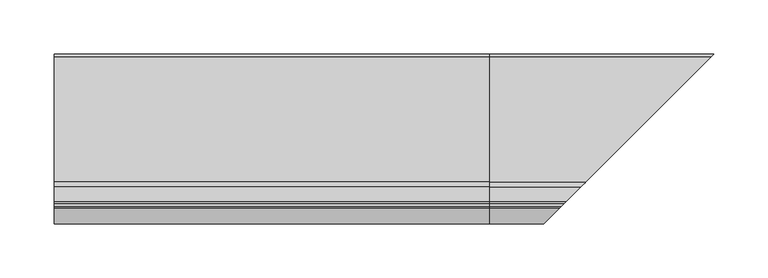
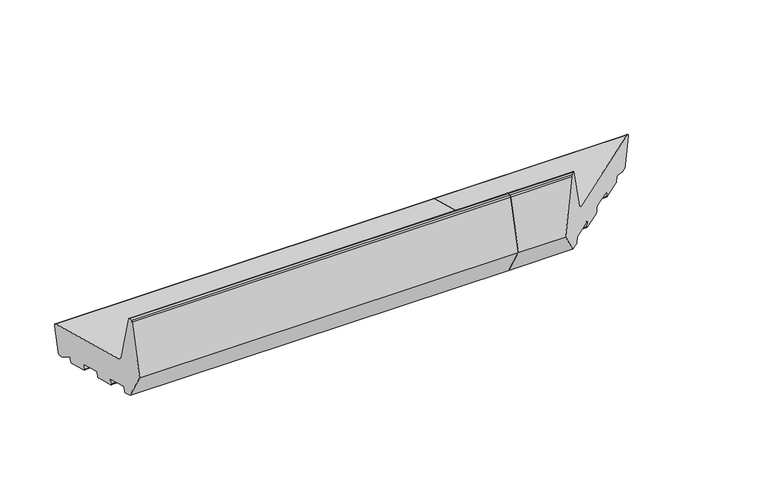
"""IFC4 building model written with IfcOpenShell, lengths in millimetres: proxy geometry."""

import ifcopenshell
import ifcopenshell.guid

model = None  # the IFC model being written
_history = None  # IfcOwnerHistory: only IFC2X3 demands one
_inside = {}  # id of a spatial element -> (the spatial element, [elements in it])
_under = {}  # id of a project, library or spatial element -> (it, [spatial elements below it])
_declared = {}  # id of a project -> (the project, [libraries it declares])
_typed = {}  # id of a type object -> (the type object, [elements of that type])
_made_of = {}  # id of a material, layer set ... -> (it, [elements and type objects made of it])


def new_model(schema):
    """Start an empty IFC model of exactly this schema.

    Asked for "IFC4X3", IfcOpenShell would pick the latest addendum, in which some entities
    have other attributes; the version numbers below select the first issue.
    IFC2X3 requires an IfcOwnerHistory on every rooted entity: one is made here for all.
    """
    global model, _history
    if schema == "IFC4X3":
        model = ifcopenshell.file(schema_version=(4, 3, 0, 0))
    else:
        model = ifcopenshell.file(schema=schema)
    _inside.clear()
    _under.clear()
    _declared.clear()
    _typed.clear()
    _made_of.clear()
    _history = None
    if model.schema == "IFC2X3":
        org = make("IfcOrganization", Name="unknown")
        user = make(
            "IfcPersonAndOrganization",
            ThePerson=make("IfcPerson", FamilyName="unknown"),
            TheOrganization=org,
        )
        app = make(
            "IfcApplication",
            ApplicationDeveloper=org,
            Version="unknown",
            ApplicationFullName="unknown",
            ApplicationIdentifier="unknown",
        )
        _history = make(
            "IfcOwnerHistory",
            OwningUser=user,
            OwningApplication=app,
            ChangeAction="ADDED",
            CreationDate=0,
        )
    return model


def make(cls, **values):
    """One entity of the class cls with the attributes given. An attribute that is None is left unset."""
    return model.create_entity(
        cls, **{name: value for name, value in values.items() if value is not None}
    )


def rooted(cls, **values):
    """An entity with a GlobalId (a new one), such as an element, a storey or a relation."""
    return make(cls, GlobalId=ifcopenshell.guid.new(), OwnerHistory=_history, **values)


def si_unit(unit_type, name, prefix=None):
    """IfcSIUnit, for example si_unit("LENGTHUNIT", "METRE", prefix="MILLI")."""
    return make("IfcSIUnit", UnitType=unit_type, Prefix=prefix, Name=name)


def assignment(units):
    """IfcUnitAssignment: the units of a project."""
    return None if units is None else make("IfcUnitAssignment", Units=units)


def point(xyz):
    """IfcCartesianPoint."""
    return None if xyz is None else make("IfcCartesianPoint", Coordinates=xyz)


def direction(xyz):
    """IfcDirection."""
    return None if xyz is None else make("IfcDirection", DirectionRatios=xyz)


def frame(location, z_axis=None, x_axis=None):
    """IfcAxis2Placement3D, a coordinate frame: its origin and axes. An axis left out is left unset."""
    return make(
        "IfcAxis2Placement3D",
        Location=point(location),
        Axis=direction(z_axis),
        RefDirection=direction(x_axis),
    )


def frame_2d(location, x_axis=None):
    """IfcAxis2Placement2D, a coordinate frame in the plane: its origin and x axis."""
    return make(
        "IfcAxis2Placement2D", Location=point(location), RefDirection=direction(x_axis)
    )


def origin():
    """The frame at (0, 0, 0) with its axes left unset."""
    return frame((0.0, 0.0, 0.0))


def place(relative_to, where):
    """IfcLocalPlacement: puts the frame where relative to a parent placement (None: the world)."""
    return make(
        "IfcLocalPlacement", PlacementRelTo=relative_to, RelativePlacement=where
    )


def context(
    kind, dimensions, precision=None, world=None, true_north=None, identifier=None
):
    """IfcGeometricRepresentationContext, for example the 3D "Model" context."""
    return make(
        "IfcGeometricRepresentationContext",
        ContextIdentifier=identifier,
        ContextType=kind,
        CoordinateSpaceDimension=dimensions,
        Precision=precision,
        WorldCoordinateSystem=world,
        TrueNorth=true_north,
    )


def project(units=None, contexts=None):
    """IfcProject with its units and contexts."""
    return rooted(
        "IfcProject",
        Name="project",
        RepresentationContexts=contexts,
        UnitsInContext=assignment(units),
    )


def spatial(cls, under=None, at=None, **own):
    """A site, building, storey or space (cls), placed at a placement, below another one or the project."""
    s = rooted(cls, ObjectPlacement=at, **own)
    if under is not None:
        _under.setdefault(under.id(), (under, []))[1].append(s)
    return s


def polyline(points):
    """IfcPolyline through the points."""
    return make("IfcPolyline", Points=[point(p) for p in points])


def circle_curve(where, radius):
    """IfcCircle in the frame where."""
    return make("IfcCircle", Position=where, Radius=radius)


def ellipse_curve(where, semi_axis1, semi_axis2):
    """IfcEllipse in the frame where."""
    return make(
        "IfcEllipse", Position=where, SemiAxis1=semi_axis1, SemiAxis2=semi_axis2
    )


def trimmed(basis, trim1, trim2, sense, master):
    """IfcTrimmedCurve: the piece of a basis curve between two trims."""
    return make(
        "IfcTrimmedCurve",
        BasisCurve=basis,
        Trim1=trim1,
        Trim2=trim2,
        SenseAgreement=sense,
        MasterRepresentation=master,
    )


def segment(curve, same_sense, transition):
    """IfcCompositeCurveSegment."""
    return make(
        "IfcCompositeCurveSegment",
        Transition=transition,
        SameSense=same_sense,
        ParentCurve=curve,
    )


def composite_curve(segments, self_intersect=None):
    """IfcCompositeCurve: segments joined end to end."""
    return make("IfcCompositeCurve", Segments=segments, SelfIntersect=self_intersect)


def outline(outer, holes=None, kind="AREA"):
    """IfcArbitraryClosedProfileDef: a profile drawn as a closed curve; with holes, ...WithVoids."""
    if holes is None:
        return make("IfcArbitraryClosedProfileDef", ProfileType=kind, OuterCurve=outer)
    return make(
        "IfcArbitraryProfileDefWithVoids",
        ProfileType=kind,
        OuterCurve=outer,
        InnerCurves=holes,
    )


def extrude(swept, where, along, depth):
    """IfcExtrudedAreaSolid: the profile swept, set in the frame where, extruded along a direction by depth."""
    return make(
        "IfcExtrudedAreaSolid",
        SweptArea=swept,
        Position=where,
        ExtrudedDirection=direction(along),
        Depth=depth,
    )


def shape(context_of_items, identifier, shape_type, items):
    """IfcShapeRepresentation: the items that make up one representation, for example the "Body"."""
    return make(
        "IfcShapeRepresentation",
        ContextOfItems=context_of_items,
        RepresentationIdentifier=identifier,
        RepresentationType=shape_type,
        Items=items,
    )


def source(mapping_origin, context_of_items, identifier, shape_type, items):
    """IfcRepresentationMap: a shape defined once, which mapped items show again and again."""
    return make(
        "IfcRepresentationMap",
        MappingOrigin=mapping_origin,
        MappedRepresentation=shape(context_of_items, identifier, shape_type, items),
    )


def transform(
    local_origin,
    x_axis=None,
    y_axis=None,
    z_axis=None,
    scale=None,
    scale2=None,
    scale3=None,
    uniform=True,
):
    """IfcCartesianTransformationOperator3D, or its non-uniform kind. x_axis, y_axis, z_axis: its Axis1, 2, 3."""
    if uniform:
        return make(
            "IfcCartesianTransformationOperator3D",
            Axis1=direction(x_axis),
            Axis2=direction(y_axis),
            LocalOrigin=point(local_origin),
            Scale=scale,
            Axis3=direction(z_axis),
        )
    return make(
        "IfcCartesianTransformationOperator3DnonUniform",
        Axis1=direction(x_axis),
        Axis2=direction(y_axis),
        LocalOrigin=point(local_origin),
        Scale=scale,
        Axis3=direction(z_axis),
        Scale2=scale2,
        Scale3=scale3,
    )


def mapped(mapping_source, mapping_target):
    """IfcMappedItem: shows the shape of a source again, moved by a transform."""
    return make(
        "IfcMappedItem", MappingSource=mapping_source, MappingTarget=mapping_target
    )


def made_of(thing, what):
    """Note that an element or type object is made of a material, layer set ...; save() writes the relation."""
    if what is not None:
        _made_of.setdefault(what.id(), (what, []))[1].append(thing)
    return thing


def element(
    cls,
    number,
    at=None,
    inside=None,
    cuts=None,
    type_object=None,
    material=None,
    context=None,
    identifier="Body",
    shape_type=None,
    held_by="IfcProductDefinitionShape",
    body=None,
    shapes=None,
    **own,
):
    """One element of the class cls, such as IfcWall. Its Tag is "e" and its number.

    at: its placement. inside: the storey or other place that contains it. cuts: it is an
    opening in that element (IfcRelVoidsElement). A single representation is given by context,
    identifier, shape_type and body (its items); several are given by shapes. held_by: the class
    of the entity that holds the representations. save() writes the other relations.
    """
    e = rooted(cls, Tag="e%d" % number, ObjectPlacement=at, **own)
    if body is not None:
        shapes = [shape(context, identifier, shape_type, body)]
    if shapes is not None:
        e.Representation = make(held_by, Representations=shapes)
    if inside is not None:
        _inside.setdefault(inside.id(), (inside, []))[1].append(e)
    if cuts is not None:
        rooted(
            "IfcRelVoidsElement", RelatingBuildingElement=cuts, RelatedOpeningElement=e
        )
    if type_object is not None:
        _typed.setdefault(type_object.id(), (type_object, []))[1].append(e)
    return made_of(e, material)


def aggregate(whole, parts):
    """IfcRelAggregates: a whole, such as a stair, and the parts it consists of."""
    return rooted("IfcRelAggregates", RelatingObject=whole, RelatedObjects=parts)


def save(model, path):
    """Write the relations noted so far, then the file.

    IfcRelAggregates (storeys below a building ...), IfcRelContainedInSpatialStructure (elements
    in a storey), IfcRelDefinesByType, IfcRelAssociatesMaterial and IfcRelDeclares: one each for
    every whole, place, type object, material and project.
    """
    for whole, parts in _under.values():
        aggregate(whole, parts)
    for where, things in _inside.values():
        rooted(
            "IfcRelContainedInSpatialStructure",
            RelatedElements=things,
            RelatingStructure=where,
        )
    for kind, things in _typed.values():
        rooted("IfcRelDefinesByType", RelatedObjects=things, RelatingType=kind)
    for what, things in _made_of.values():
        rooted("IfcRelAssociatesMaterial", RelatedObjects=things, RelatingMaterial=what)
    for by, libraries in _declared.values():
        rooted("IfcRelDeclares", RelatingContext=by, RelatedDefinitions=libraries)
    model.write(path)


def plane_surface(at):
    """IfcPlane: the flat surface through the origin of the frame at, square to its z axis."""
    return make("IfcPlane", Position=at)


def cylinder_surface(at, radius):
    """IfcCylindricalSurface: all points at the distance radius from the z axis of the frame at."""
    return make("IfcCylindricalSurface", Position=at, Radius=radius)


def revolved_surface(curve, axis_point, axis_direction):
    """IfcSurfaceOfRevolution: the curve turned about the line through axis_point along axis_direction."""
    return make(
        "IfcSurfaceOfRevolution",
        SweptCurve=make("IfcArbitraryOpenProfileDef", ProfileType="CURVE", Curve=curve),
        AxisPosition=make("IfcAxis1Placement", Location=point(axis_point), Axis=direction(axis_direction)),
    )


def advanced_brep(points, edges, surfaces, faces):
    """IfcAdvancedBrep: a solid bounded by faces that lie on surfaces and meet in shared edges.

    An edge is (start, end): straight between two places in points (the first is 0);
    or (start, end, curve); or (start, end, curve, False) where it runs against its curve.
    A face is (place in surfaces, loops), or (place, loops, False) where it looks against
    its surface's normal. A loop lists edges by number (the first is 1), with a minus sign
    where the edge is run from its end to its start. The first loop is the outer one.
    """
    corners = [point(p) for p in points]
    vertices = [make("IfcVertexPoint", VertexGeometry=c) for c in corners]
    made = []
    for start, end, *more in edges:
        made.append(
            make(
                "IfcEdgeCurve",
                EdgeStart=vertices[start],
                EdgeEnd=vertices[end],
                EdgeGeometry=more[0] if more else make("IfcPolyline", Points=[corners[start], corners[end]]),
                SameSense=more[1] if len(more) > 1 else True,
            )
        )
    hull = []
    for where, loops, *sense in faces:
        bounds = []
        for j, loop in enumerate(loops):
            ring = [make("IfcOrientedEdge", EdgeElement=made[abs(k) - 1], Orientation=k > 0) for k in loop]
            bounds.append(
                make(
                    "IfcFaceOuterBound" if j == 0 else "IfcFaceBound",
                    Bound=make("IfcEdgeLoop", EdgeList=ring),
                    Orientation=True,
                )
            )
        hull.append(make("IfcAdvancedFace", Bounds=bounds, FaceSurface=surfaces[where], SameSense=sense[0] if sense else True))
    return make("IfcAdvancedBrep", Outer=make("IfcClosedShell", CfsFaces=hull))


def generic_models_5331c608(model_context):
    return source(origin(), model_context, "Body", "SolidModel", [
        advanced_brep(
        [(400.0, 24.4386976, 5.7548961), (400.0, 21.5409202, 6.5313532), (400.0, 7.5551512, 15.0647989), (400.0, 6.0683716, 14.4699721), (400.0, 5.1201811, 10.931277), (400.0, 3.8954362, 10.2241702), (400.0, -18.3208578, 16.1770082), (400.0, -19.0279645, 17.4017531), (400.0, -17.9926884, 21.2654564), (400.0, -18.6997951, 22.4902013), (400.0, -41.882015, 28.7018584), (400.0, -43.1067598, 27.9947516), (400.0, -44.142036, 24.1310483), (400.0, -45.3667809, 23.4239415), (400.0, -67.5830749, 29.3767795), (400.0, -68.2901817, 30.6015244), (400.0, -67.2549055, 34.4652277), (400.0, -67.9620123, 35.6899726), (400.0, -91.1442321, 41.9016297), (400.0, -92.368977, 41.1945229), (400.0, -93.4042532, 37.3308196), (400.0, -94.628998, 36.6237128), (400.0, -103.3223305, 38.9530842), (400.0, -121.0, 69.571706), (400.0, -106.6423334, 123.1552472), (400.0, -105.1934447, 124.2670186), (400.0, -102.1818846, 124.2670186), (400.0, -100.7329958, 123.1552472), (400.0, -86.984545, 71.8453303), (400.0, -82.7419043, 67.6026896), (400.0, 32.7209071, 36.6645225), (400.0, 34.8422274, 32.9902879), (400.0, 28.1129323, 7.8762164), (599.1129323, 28.1129323, 7.8762164), (595.4386976, 24.4386976, 5.7548961), (605.8422274, 34.8422274, 32.9902879), (603.7209071, 32.7209071, 36.6645225), (488.2580957, -82.7419043, 67.6026896), (484.015455, -86.984545, 71.8453303), (470.2670042, -100.7329958, 123.1552472), (468.8181154, -102.1818846, 124.2670186), (465.8065553, -105.1934447, 124.2670186), (464.3576666, -106.6423334, 123.1552472), (450.0, -121.0, 69.571706), (467.6776695, -103.3223305, 38.9530842), (476.371002, -94.628998, 36.6237128), (477.5957468, -93.4042532, 37.3308196), (478.631023, -92.368977, 41.1945229), (479.8557679, -91.1442321, 41.9016297), (503.0379877, -67.9620123, 35.6899726), (503.7450945, -67.2549055, 34.4652277), (502.7098183, -68.2901817, 30.6015244), (503.4169251, -67.5830749, 29.3767795), (525.6332191, -45.3667809, 23.4239415), (526.857964, -44.142036, 24.1310483), (527.8932402, -43.1067598, 27.9947516), (529.117985, -41.882015, 28.7018584), (592.5409202, 21.5409202, 6.5313532), (552.3002049, -18.6997951, 22.4902013), (552.6791422, -18.3208578, 16.1770082), (551.9720355, -19.0279645, 17.4017531), (553.0073116, -17.9926884, 21.2654564), (574.8954362, 3.8954362, 10.2241702), (576.1201811, 5.1201811, 10.931277), (577.0683716, 6.0683716, 14.4699721), (578.5551512, 7.5551512, 15.0647989)],
        [
            (0, 1),
            (1, 2),
            (2, 3, circle_curve(frame((400.0, 7.0342974, 14.211153), z_axis=(1.0, 0.0, 0.0), x_axis=(0.0, 1.0, 0.0)), 1.0)),
            (3, 4),
            (4, 5, circle_curve(frame((400.0, 4.1542553, 11.190096), z_axis=(-1.0, 0.0, 0.0), x_axis=(0.0, 1.0, 0.0)), 1.0)),
            (5, 6),
            (6, 7, circle_curve(frame((400.0, -18.0620387, 17.1429341), z_axis=(-1.0, 0.0, 0.0), x_axis=(0.0, 1.0, 0.0)), 1.0)),
            (7, 8),
            (8, 9, circle_curve(frame((400.0, -18.9586142, 21.5242755), z_axis=(1.0, 0.0, 0.0), x_axis=(0.0, 1.0, 0.0)), 1.0)),
            (9, 10),
            (10, 11, circle_curve(frame((400.0, -42.140834, 27.7359325), z_axis=(1.0, 0.0, 0.0), x_axis=(0.0, 1.0, 0.0)), 1.0)),
            (11, 12),
            (12, 13, circle_curve(frame((400.0, -45.1079618, 24.3898673), z_axis=(-1.0, 0.0, 0.0), x_axis=(0.0, 1.0, 0.0)), 1.0)),
            (13, 14),
            (14, 15, circle_curve(frame((400.0, -67.3242559, 30.3427054), z_axis=(-1.0, 0.0, 0.0), x_axis=(0.0, 1.0, 0.0)), 1.0)),
            (15, 16),
            (16, 17, circle_curve(frame((400.0, -68.2208313, 34.7240468), z_axis=(1.0, 0.0, 0.0), x_axis=(0.0, 1.0, 0.0)), 1.0)),
            (17, 18),
            (18, 19, circle_curve(frame((400.0, -91.4030512, 40.9357038), z_axis=(1.0, 0.0, 0.0), x_axis=(0.0, 1.0, 0.0)), 1.0)),
            (19, 20),
            (20, 21, circle_curve(frame((400.0, -94.370179, 37.5896386), z_axis=(-1.0, 0.0, 0.0), x_axis=(0.0, 1.0, 0.0)), 1.0)),
            (21, 22),
            (22, 23),
            (23, 24),
            (24, 25, circle_curve(frame((400.0, -105.1934447, 122.7670186), z_axis=(-1.0, 0.0, 0.0), x_axis=(0.0, 1.0, 0.0)), 1.5)),
            (25, 26),
            (26, 27, circle_curve(frame((400.0, -102.1818846, 122.7670186), z_axis=(-1.0, 0.0, 0.0), x_axis=(0.0, 1.0, 0.0)), 1.5)),
            (27, 28),
            (28, 29, circle_curve(frame((400.0, -81.1889901, 73.3982445), z_axis=(1.0, 0.0, 0.0), x_axis=(0.0, 1.0, 0.0)), 6.0)),
            (29, 30),
            (30, 31, circle_curve(frame((400.0, 31.94445, 33.766745), z_axis=(-1.0, 0.0, 0.0), x_axis=(0.0, 1.0, 0.0)), 3.0)),
            (31, 32),
            (32, 0, circle_curve(frame((400.0, 25.2151548, 8.6526736), z_axis=(-1.0, 0.0, 0.0), x_axis=(0.0, 1.0, 0.0)), 3.0)),
            (32, 33),
            (33, 34, ellipse_curve(frame((596.2151548, 25.2151548, 8.6526736), z_axis=(-0.707106781186548, 0.7071067811865471, 0.0), x_axis=(0.707106781186547, 0.707106781186548, 0.0)), 4.2426407, 3.0)),
            (34, 0),
            (31, 35),
            (35, 33),
            (30, 36),
            (36, 35, ellipse_curve(frame((602.94445, 31.94445, 33.766745), z_axis=(-0.707106781186548, 0.7071067811865471, 0.0), x_axis=(0.707106781186547, 0.707106781186548, 0.0)), 4.2426407, 3.0)),
            (29, 37),
            (37, 36),
            (28, 38),
            (38, 37, ellipse_curve(frame((489.8110099, -81.1889901, 73.3982445), z_axis=(0.707106781186548, -0.7071067811865471, 0.0), x_axis=(-0.707106781186547, -0.707106781186548, 0.0)), 8.4852814, 6.0)),
            (27, 39),
            (39, 38),
            (26, 40),
            (40, 39, ellipse_curve(frame((468.8181154, -102.1818846, 122.7670186), z_axis=(-0.707106781186548, 0.7071067811865471, 0.0), x_axis=(0.707106781186547, 0.707106781186548, 0.0)), 2.1213203, 1.5)),
            (25, 41),
            (41, 40),
            (24, 42),
            (42, 41, ellipse_curve(frame((465.8065553, -105.1934447, 122.7670186), z_axis=(-0.707106781186548, 0.7071067811865471, 0.0), x_axis=(0.707106781186547, 0.707106781186548, 0.0)), 2.1213203, 1.5)),
            (23, 43),
            (43, 42),
            (22, 44),
            (44, 43),
            (21, 45),
            (45, 44),
            (20, 46),
            (46, 45, ellipse_curve(frame((476.629821, -94.370179, 37.5896386), z_axis=(-0.707106781186548, 0.7071067811865471, 0.0), x_axis=(0.707106781186547, 0.707106781186548, 0.0)), 1.4142136, 1.0)),
            (19, 47),
            (47, 46),
            (18, 48),
            (48, 47, ellipse_curve(frame((479.5969488, -91.4030512, 40.9357038), z_axis=(0.707106781186548, -0.7071067811865471, 0.0), x_axis=(-0.707106781186547, -0.707106781186548, 0.0)), 1.4142136, 1.0)),
            (17, 49),
            (49, 48),
            (16, 50),
            (50, 49, ellipse_curve(frame((502.7791687, -68.2208313, 34.7240468), z_axis=(0.707106781186548, -0.7071067811865471, 0.0), x_axis=(-0.707106781186547, -0.707106781186548, 0.0)), 1.4142136, 1.0)),
            (15, 51),
            (51, 50),
            (14, 52),
            (52, 51, ellipse_curve(frame((503.6757441, -67.3242559, 30.3427054), z_axis=(-0.707106781186548, 0.7071067811865471, 0.0), x_axis=(0.707106781186547, 0.707106781186548, 0.0)), 1.4142136, 1.0)),
            (13, 53),
            (53, 52),
            (12, 54),
            (54, 53, ellipse_curve(frame((525.8920382, -45.1079618, 24.3898673), z_axis=(-0.707106781186548, 0.7071067811865471, 0.0), x_axis=(0.707106781186547, 0.707106781186548, 0.0)), 1.4142136, 1.0)),
            (11, 55),
            (55, 54),
            (10, 56),
            (56, 55, ellipse_curve(frame((528.859166, -42.140834, 27.7359325), z_axis=(0.707106781186548, -0.7071067811865471, 0.0), x_axis=(-0.707106781186547, -0.707106781186548, 0.0)), 1.4142136, 1.0)),
            (34, 57),
            (57, 1),
            (9, 58),
            (58, 56),
            (6, 59),
            (59, 60, ellipse_curve(frame((552.9379613, -18.0620387, 17.1429341), z_axis=(-0.707106781186548, 0.7071067811865471, 0.0), x_axis=(0.707106781186547, 0.707106781186548, 0.0)), 1.4142136, 1.0)),
            (60, 7),
            (60, 61),
            (61, 8),
            (61, 58, ellipse_curve(frame((552.0413858, -18.9586142, 21.5242755), z_axis=(0.707106781186548, -0.7071067811865471, 0.0), x_axis=(-0.707106781186547, -0.707106781186548, 0.0)), 1.4142136, 1.0)),
            (5, 62),
            (62, 59),
            (4, 63),
            (63, 62, ellipse_curve(frame((575.1542553, 4.1542553, 11.190096), z_axis=(-0.707106781186548, 0.7071067811865471, 0.0), x_axis=(0.707106781186547, 0.707106781186548, 0.0)), 1.4142136, 1.0)),
            (3, 64),
            (64, 63),
            (2, 65),
            (65, 64, ellipse_curve(frame((578.0342974, 7.0342974, 14.211153), z_axis=(0.707106781186548, -0.7071067811865471, 0.0), x_axis=(-0.707106781186547, -0.707106781186548, 0.0)), 1.4142136, 1.0)),
            (57, 65),
        ],
        [
            plane_surface(frame((400.0, 0.0, 0.0), z_axis=(-1.0, 0.0, 0.0), x_axis=(0.0, 0.0, 1.0))),
            cylinder_surface(frame((606.3741644, 25.2151548, 8.6526736), z_axis=(1.0, 0.0, 0.0), x_axis=(0.0, 1.0, 0.0)), 3.0),
            plane_surface(frame((606.3741644, 34.8422274, 32.9902879), z_axis=(0.0, 0.9659258262890688, -0.2588190451025192), x_axis=(-1.0, 0.0, 0.0))),
            cylinder_surface(frame((606.3741644, 31.94445, 33.766745), z_axis=(1.0, 0.0, 0.0), x_axis=(0.0, 1.0, 0.0)), 3.0),
            plane_surface(frame((606.3741644, -82.7419043, 67.6026896), z_axis=(0.0, 0.25881904510252074, 0.9659258262890684), x_axis=(-1.0, 0.0, 0.0))),
            revolved_surface(polyline([(400.0, -75.1889901, 73.3982445), (495.8110099182161, -75.1889901, 73.3982445)]), (606.3741644, -81.1889901, 73.3982445), (-1.0, 0.0, 0.0)),
            plane_surface(frame((606.3741644, -100.7329958, 123.1552472), z_axis=(0.0, 0.9659258262890681, 0.25881904510252146), x_axis=(-1.0, 0.0, 0.0))),
            cylinder_surface(frame((606.3741644, -102.1818846, 122.7670186), z_axis=(1.0, 0.0, 0.0), x_axis=(0.0, 1.0, 0.0)), 1.5),
            plane_surface(frame((606.3741644, -105.1934447, 124.2670186), z_axis=(0.0, 0.0, 1.0), x_axis=(-1.0, 0.0, 0.0))),
            cylinder_surface(frame((606.3741644, -105.1934447, 122.7670186), z_axis=(1.0, 0.0, 0.0), x_axis=(0.0, 1.0, 0.0)), 1.5),
            plane_surface(frame((606.3741644, -121.0, 69.571706), z_axis=(0.0, -0.9659258262890682, 0.25881904510252113), x_axis=(-1.0, 0.0, 0.0))),
            plane_surface(frame((606.3741644, -103.3223305, 38.9530842), z_axis=(0.0, -0.8660254037844382, -0.5000000000000009), x_axis=(-1.0, 0.0, 0.0))),
            plane_surface(frame((606.3741644, -94.628998, 36.6237128), z_axis=(0.0, -0.2588190451025213, -0.9659258262890682), x_axis=(-1.0, 0.0, 0.0))),
            cylinder_surface(frame((606.3741644, -94.370179, 37.5896386), z_axis=(1.0, 0.0, 0.0), x_axis=(0.0, 1.0, 0.0)), 1.0),
            plane_surface(frame((606.3741644, -92.368977, 41.1945229), z_axis=(0.0, 0.9659258262890696, -0.25881904510251574), x_axis=(-1.0, 0.0, 0.0))),
            revolved_surface(polyline([(400.0, -90.4030512, 40.9357038), (480.59694882660625, -90.4030512, 40.9357038)]), (606.3741644, -91.4030512, 40.9357038), (-1.0, 0.0, 0.0)),
            plane_surface(frame((606.3741644, -67.9620123, 35.6899726), z_axis=(0.0, -0.25881904510252196, -0.965925826289068), x_axis=(-1.0, 0.0, 0.0))),
            revolved_surface(polyline([(400.0, -67.2208313, 34.7240468), (503.77916872660626, -67.2208313, 34.7240468)]), (606.3741644, -68.2208313, 34.7240468), (-1.0, 0.0, 0.0)),
            plane_surface(frame((606.3741644, -68.2901817, 30.6015244), z_axis=(0.0, -0.9659258262890698, 0.2588190451025152), x_axis=(-1.0, 0.0, 0.0))),
            cylinder_surface(frame((606.3741644, -67.3242559, 30.3427054), z_axis=(1.0, 0.0, 0.0), x_axis=(0.0, 1.0, 0.0)), 1.0),
            plane_surface(frame((606.3741644, -45.3667809, 23.4239415), z_axis=(0.0, -0.25881904510252135, -0.9659258262890682), x_axis=(-1.0, 0.0, 0.0))),
            cylinder_surface(frame((606.3741644, -45.1079618, 24.3898673), z_axis=(1.0, 0.0, 0.0), x_axis=(0.0, 1.0, 0.0)), 1.0),
            plane_surface(frame((606.3741644, -43.1067598, 27.9947516), z_axis=(0.0, 0.9659258262890696, -0.25881904510251574), x_axis=(-1.0, 0.0, 0.0))),
            revolved_surface(polyline([(400.0, -41.140834, 27.7359325), (529.8591660266062, -41.140834, 27.7359325)]), (606.3741644, -42.140834, 27.7359325), (-1.0, 0.0, 0.0)),
            plane_surface(frame((606.3741644, 24.4386976, 5.7548961), z_axis=(0.0, -0.2588190451025198, -0.9659258262890685), x_axis=(-1.0, 0.0, 0.0))),
            plane_surface(frame((606.3741644, -18.6997951, 22.4902013), z_axis=(0.0, -0.2588190451025191, -0.9659258262890689), x_axis=(-1.0, 0.0, 0.0))),
            cylinder_surface(frame((606.3741644, -18.0620387, 17.1429341), z_axis=(1.0, 0.0, 0.0), x_axis=(0.0, 1.0, 0.0)), 1.0),
            plane_surface(frame((606.3741644, -19.0279645, 17.4017531), z_axis=(0.0, -0.96592582628907, 0.2588190451025148), x_axis=(-1.0, 0.0, 0.0))),
            revolved_surface(polyline([(400.0, -17.9586142, 21.5242755), (553.0413858266062, -17.9586142, 21.5242755)]), (606.3741644, -18.9586142, 21.5242755), (-1.0, 0.0, 0.0)),
            plane_surface(frame((606.3741644, 3.8954362, 10.2241702), z_axis=(0.0, -0.25881904510251874, -0.965925826289069), x_axis=(-1.0, 0.0, 0.0))),
            cylinder_surface(frame((606.3741644, 4.1542553, 11.190096), z_axis=(1.0, 0.0, 0.0), x_axis=(0.0, 1.0, 0.0)), 1.0),
            plane_surface(frame((606.3741644, 6.0683716, 14.4699721), z_axis=(0.0, 0.9659258262890685, -0.25881904510251985), x_axis=(-1.0, 0.0, 0.0))),
            revolved_surface(polyline([(400.0, 8.0342974, 14.211153), (579.0342974266063, 8.0342974, 14.211153)]), (606.3741644, 7.0342974, 14.211153), (-1.0, 0.0, 0.0)),
            plane_surface(frame((606.3741644, 21.5409202, 6.5313532), z_axis=(0.0, -0.5208538026734632, -0.853645896282875), x_axis=(-1.0, 0.0, 0.0))),
            plane_surface(frame((552.2045815, -18.7954185, 0.0), z_axis=(0.707106781186548, -0.7071067811865471, 0.0), x_axis=(0.0, 0.0, 1.0))),
        ],
        [
            (0, [[1, 2, 3, 4, 5, 6, 7, 8, 9, 10, 11, 12, 13, 14, 15, 16, 17, 18, 19, 20, 21, 22, 23, 24, 25, 26, 27, 28, 29, 30, 31, 32, 33]]),
            (1, [[34, 35, 36, -33]]),
            (2, [[37, 38, -34, -32]]),
            (3, [[39, 40, -37, -31]]),
            (4, [[41, 42, -39, -30]]),
            (5, [[43, 44, -41, -29]]),
            (6, [[45, 46, -43, -28]]),
            (7, [[47, 48, -45, -27]]),
            (8, [[49, 50, -47, -26]]),
            (9, [[51, 52, -49, -25]]),
            (10, [[53, 54, -51, -24]]),
            (11, [[55, 56, -53, -23]]),
            (12, [[57, 58, -55, -22]]),
            (13, [[59, 60, -57, -21]]),
            (14, [[61, 62, -59, -20]]),
            (15, [[63, 64, -61, -19]]),
            (16, [[65, 66, -63, -18]]),
            (17, [[67, 68, -65, -17]]),
            (18, [[69, 70, -67, -16]]),
            (19, [[71, 72, -69, -15]]),
            (20, [[73, 74, -71, -14]]),
            (21, [[75, 76, -73, -13]]),
            (22, [[77, 78, -75, -12]]),
            (23, [[79, 80, -77, -11]]),
            (24, [[-36, 81, 82, -1]]),
            (25, [[83, 84, -79, -10]]),
            (26, [[85, 86, 87, -7]]),
            (27, [[-87, 88, 89, -8]]),
            (28, [[-89, 90, -83, -9]]),
            (29, [[91, 92, -85, -6]]),
            (30, [[93, 94, -91, -5]]),
            (31, [[95, 96, -93, -4]]),
            (32, [[97, 98, -95, -3]]),
            (33, [[-82, 99, -97, -2]]),
            (34, [[-38, -40, -42, -44, -46, -48, -50, -52, -54, -56, -58, -60, -62, -64, -66, -68, -70, -72, -74, -76, -78, -80, -84, -90, -88, -86, -92, -94, -96, -98, -99, -81, -35]]),
        ],
    ),
        extrude(outline(composite_curve([segment(polyline([(24.4386976, 5.7548961), (21.5409202, 6.5313532), (7.5551512, 15.0647989)]), True, "CONTINUOUS"), segment(trimmed(circle_curve(frame_2d((7.0342974, 14.211153)), 1.0), [point((7.5551512, 15.0647989))], [point((6.0683716, 14.4699721))], True, "CARTESIAN"), True, "CONTINUOUS"), segment(polyline([(6.0683716, 14.4699721), (5.1201811, 10.931277)]), True, "CONTINUOUS"), segment(trimmed(circle_curve(frame_2d((4.1542553, 11.190096)), 1.0), [point((5.1201811, 10.931277))], [point((3.8954362, 10.2241702))], False, "CARTESIAN"), True, "CONTINUOUS"), segment(polyline([(3.8954362, 10.2241702), (-18.3208578, 16.1770082)]), True, "CONTINUOUS"), segment(trimmed(circle_curve(frame_2d((-18.0620387, 17.1429341)), 1.0), [point((-18.3208578, 16.1770082))], [point((-19.0279645, 17.4017531))], False, "CARTESIAN"), True, "CONTINUOUS"), segment(polyline([(-19.0279645, 17.4017531), (-17.9926884, 21.2654564)]), True, "CONTINUOUS"), segment(trimmed(circle_curve(frame_2d((-18.9586142, 21.5242755)), 1.0), [point((-17.9926884, 21.2654564))], [point((-18.6997951, 22.4902013))], True, "CARTESIAN"), True, "CONTINUOUS"), segment(polyline([(-18.6997951, 22.4902013), (-41.882015, 28.7018584)]), True, "CONTINUOUS"), segment(trimmed(circle_curve(frame_2d((-42.140834, 27.7359325)), 1.0), [point((-41.882015, 28.7018584))], [point((-43.1067598, 27.9947516))], True, "CARTESIAN"), True, "CONTINUOUS"), segment(polyline([(-43.1067598, 27.9947516), (-44.142036, 24.1310483)]), True, "CONTINUOUS"), segment(trimmed(circle_curve(frame_2d((-45.1079618, 24.3898673)), 1.0), [point((-44.142036, 24.1310483))], [point((-45.3667809, 23.4239415))], False, "CARTESIAN"), True, "CONTINUOUS"), segment(polyline([(-45.3667809, 23.4239415), (-67.5830749, 29.3767795)]), True, "CONTINUOUS"), segment(trimmed(circle_curve(frame_2d((-67.3242559, 30.3427054)), 1.0), [point((-67.5830749, 29.3767795))], [point((-68.2901817, 30.6015244))], False, "CARTESIAN"), True, "CONTINUOUS"), segment(polyline([(-68.2901817, 30.6015244), (-67.2549055, 34.4652277)]), True, "CONTINUOUS"), segment(trimmed(circle_curve(frame_2d((-68.2208313, 34.7240468)), 1.0), [point((-67.2549055, 34.4652277))], [point((-67.9620123, 35.6899726))], True, "CARTESIAN"), True, "CONTINUOUS"), segment(polyline([(-67.9620123, 35.6899726), (-91.1442321, 41.9016297)]), True, "CONTINUOUS"), segment(trimmed(circle_curve(frame_2d((-91.4030512, 40.9357038)), 1.0), [point((-91.1442321, 41.9016297))], [point((-92.368977, 41.1945229))], True, "CARTESIAN"), True, "CONTINUOUS"), segment(polyline([(-92.368977, 41.1945229), (-93.4042532, 37.3308196)]), True, "CONTINUOUS"), segment(trimmed(circle_curve(frame_2d((-94.370179, 37.5896386)), 1.0), [point((-93.4042532, 37.3308196))], [point((-94.628998, 36.6237128))], False, "CARTESIAN"), True, "CONTINUOUS"), segment(polyline([(-94.628998, 36.6237128), (-103.3223305, 38.9530842), (-121.0, 69.571706), (-106.6423334, 123.1552472)]), True, "CONTINUOUS"), segment(trimmed(circle_curve(frame_2d((-105.1934447, 122.7670186)), 1.5), [point((-106.6423334, 123.1552472))], [point((-105.1934447, 124.2670186))], False, "CARTESIAN"), True, "CONTINUOUS"), segment(polyline([(-105.1934447, 124.2670186), (-102.1818846, 124.2670186)]), True, "CONTINUOUS"), segment(trimmed(circle_curve(frame_2d((-102.1818846, 122.7670186)), 1.5), [point((-102.1818846, 124.2670186))], [point((-100.7329958, 123.1552472))], False, "CARTESIAN"), True, "CONTINUOUS"), segment(polyline([(-100.7329958, 123.1552472), (-86.984545, 71.8453303)]), True, "CONTINUOUS"), segment(trimmed(circle_curve(frame_2d((-81.1889901, 73.3982445)), 6.0), [point((-86.984545, 71.8453303))], [point((-82.7419043, 67.6026896))], True, "CARTESIAN"), True, "CONTINUOUS"), segment(polyline([(-82.7419043, 67.6026896), (32.7209071, 36.6645225)]), True, "CONTINUOUS"), segment(trimmed(circle_curve(frame_2d((31.94445, 33.766745)), 3.0), [point((32.7209071, 36.6645225))], [point((34.8422274, 32.9902879))], False, "CARTESIAN"), True, "CONTINUOUS"), segment(polyline([(34.8422274, 32.9902879), (28.1129323, 7.8762164)]), True, "CONTINUOUS"), segment(trimmed(circle_curve(frame_2d((25.2151548, 8.6526736)), 3.0), [point((28.1129323, 7.8762164))], [point((24.4386976, 5.7548961))], False, "CARTESIAN"), True, "CONTINUOUS")], self_intersect=False)), frame((0.0, 0.0, 0.0), z_axis=(1.0, 0.0, 0.0), x_axis=(0.0, 1.0, 0.0)), (0.0, 0.0, 1.0), 400.0),
    ])


if __name__ == "__main__":
    model = new_model("IFC4")
    model_context = context("Model", 3, world=origin())
    ifc_project = project(units=[si_unit("LENGTHUNIT", "METRE", prefix="MILLI")], contexts=[model_context])
    site = spatial("IfcSite", under=ifc_project)
    building = spatial("IfcBuilding", under=site)
    placement = place(None, origin())
    generic_models_shape = generic_models_5331c608(model_context)
    element("IfcBuildingElementProxy", 1, Name="Generic Models", at=placement, inside=building, context=model_context, shape_type="MappedRepresentation", body=[
        mapped(generic_models_shape, transform((0.0, 0.0, 0.0), x_axis=(1.0, 0.0, 0.0), y_axis=(0.0, 1.0, 0.0), z_axis=(0.0, 0.0, 1.0))),
    ])
    save(model, "model.ifc")
